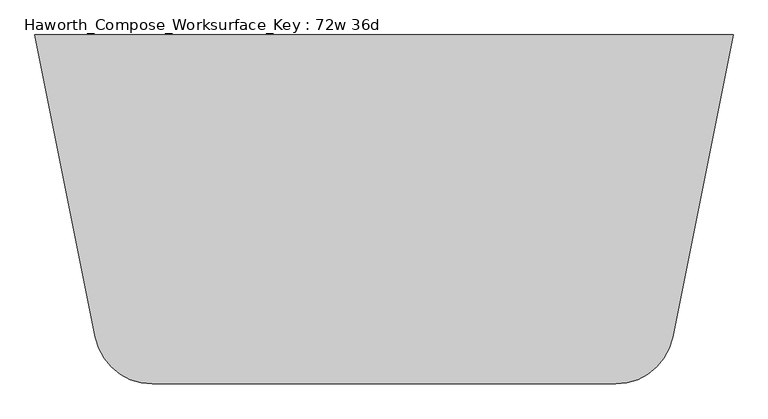
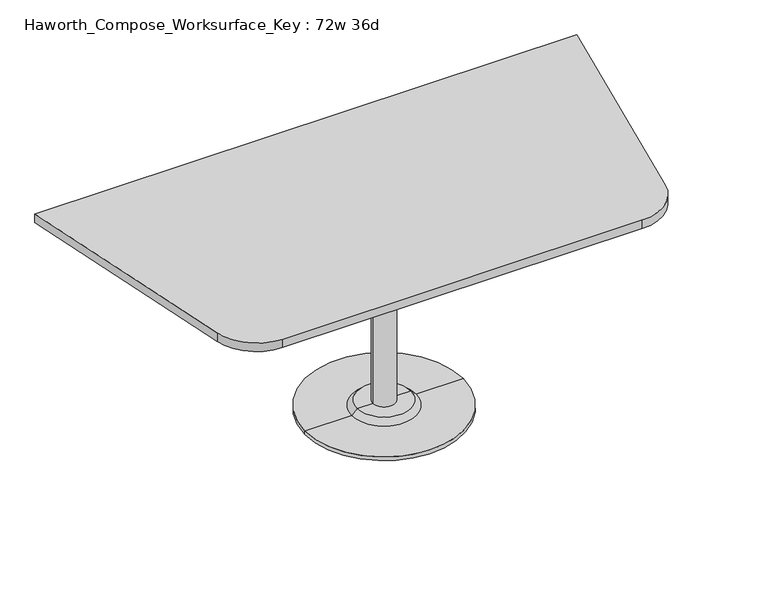
"""IFC4 building model written with IfcOpenShell, lengths in millimetres: furniture geometry, Haworth_Compose_Worksurface_Key : 72w 36d."""

from ifc_helpers import new_model, si_unit, point, frame, frame_2d, origin, place, context, project, spatial, polyline, circle_curve, trimmed, segment, composite_curve, outline, extrude, source, transform, mapped, element, save
from ifc_brep_helpers import plane_surface, cylinder_surface, revolved_surface, advanced_brep


def haworth_compose_worksurface_key_72w_36d_a5a183f8(model_context):
    return source(origin(), model_context, "Body", "SolidModel", [
        advanced_brep(
        [(38.1, 139.7, 706.4375), (-38.1, 139.7, 706.4375), (0.0, 139.7, 706.4375), (38.1, 139.7, 31.75), (-38.1, 139.7, 31.75), (89.723978, 139.7, 31.75), (-89.723978, 139.7, 31.75), (266.7, 139.7, 0.0), (-266.7, 139.7, 0.0), (-266.7, 139.7, 12.7), (266.7, 139.7, 12.7), (0.0, 139.7, 0.0), (108.773978, 139.7, 12.7), (-108.773978, 139.7, 12.7)],
        [
            (0, 1, circle_curve(frame((0.0, 139.7, 706.4375), z_axis=(0.0, 0.0, 1.0), x_axis=(-1.0, 0.0, 0.0)), 38.1)),
            (1, 2),
            (2, 0),
            (1, 0, circle_curve(frame((0.0, 139.7, 706.4375), z_axis=(0.0, 0.0, 1.0), x_axis=(-1.0, 0.0, 0.0)), 38.1)),
            (3, 4, circle_curve(frame((0.0, 139.7, 31.75), z_axis=(0.0, 0.0, 1.0), x_axis=(-1.0, 0.0, 0.0)), 38.1)),
            (4, 1),
            (0, 3),
            (4, 3, circle_curve(frame((0.0, 139.7, 31.75), z_axis=(0.0, 0.0, 1.0), x_axis=(-1.0, 0.0, 0.0)), 38.1)),
            (5, 6, circle_curve(frame((0.0, 139.7, 31.75), z_axis=(0.0, 0.0, 1.0), x_axis=(-1.0, 0.0, 0.0)), 89.723978)),
            (6, 4),
            (3, 5),
            (6, 5, circle_curve(frame((0.0, 139.7, 31.75), z_axis=(0.0, 0.0, 1.0), x_axis=(-1.0, 0.0, 0.0)), 89.723978)),
            (7, 8, circle_curve(frame((0.0, 139.7, 0.0), z_axis=(0.0, 0.0, 1.0), x_axis=(-1.0, 0.0, 0.0)), 266.7)),
            (8, 9),
            (9, 10, circle_curve(frame((0.0, 139.7, 12.7), z_axis=(0.0, 0.0, -1.0), x_axis=(-1.0, 0.0, 0.0)), 266.7)),
            (10, 7),
            (8, 7, circle_curve(frame((0.0, 139.7, 0.0), z_axis=(0.0, 0.0, 1.0), x_axis=(-1.0, 0.0, 0.0)), 266.7)),
            (10, 9, circle_curve(frame((0.0, 139.7, 12.7), z_axis=(0.0, 0.0, -1.0), x_axis=(-1.0, 0.0, 0.0)), 266.7)),
            (11, 8),
            (7, 11),
            (12, 13, circle_curve(frame((0.0, 139.7, 12.7), z_axis=(0.0, 0.0, 1.0), x_axis=(-1.0, 0.0, 0.0)), 108.773978)),
            (13, 6),
            (5, 12),
            (13, 12, circle_curve(frame((0.0, 139.7, 12.7), z_axis=(0.0, 0.0, 1.0), x_axis=(-1.0, 0.0, 0.0)), 108.773978)),
            (9, 13),
            (12, 10),
        ],
        [
            plane_surface(frame((0.0, 139.7, 706.4375), z_axis=(0.0, 0.0, 1.0), x_axis=(-1.0, 0.0, 0.0))),
            cylinder_surface(frame((0.0, 139.7, 889.623257), z_axis=(0.0, 0.0, -1.0), x_axis=(-1.0, 0.0, 0.0)), 38.1),
            plane_surface(frame((0.0, 139.7, 31.75), z_axis=(0.0, 0.0, 1.0), x_axis=(-1.0, 0.0, 0.0))),
            cylinder_surface(frame((0.0, 139.7, 889.623257), z_axis=(0.0, 0.0, -1.0), x_axis=(-1.0, 0.0, 0.0)), 266.7),
            plane_surface(frame((0.0, 139.7, 0.0), z_axis=(0.0, 0.0, -1.0), x_axis=(-1.0, 0.0, 0.0))),
            revolved_surface(polyline([(-89.723978, 139.7, 31.75), (-108.773978, 139.7, 12.7)]), (0.0, 139.7, 889.623257), (0.0, 0.0, -1.0)),
            plane_surface(frame((0.0, 139.7, 12.7), z_axis=(0.0, 0.0, 1.0), x_axis=(-1.0, 0.0, 0.0))),
        ],
        [
            (0, [[1, 2, 3]]),
            (0, [[4, -3, -2]]),
            (1, [[5, 6, -1, 7]]),
            (1, [[8, -7, -4, -6]]),
            (2, [[9, 10, -5, 11]]),
            (2, [[12, -11, -8, -10]]),
            (3, [[13, 14, 15, 16]]),
            (3, [[17, -16, 18, -14]]),
            (4, [[19, -13, 20]]),
            (4, [[-20, -17, -19]]),
            (5, [[21, 22, -9, 23]]),
            (5, [[24, -23, -12, -22]]),
            (6, [[-15, 25, -21, 26]]),
            (6, [[-18, -26, -24, -25]]),
        ],
    ),
        extrude(outline(composite_curve([segment(polyline([(914.4, 596.9), (756.0223802, -194.988099)]), True, "CONTINUOUS"), segment(trimmed(circle_curve(frame_2d((606.5818852, -165.1)), 152.4), [point((756.0223802, -194.988099))], [point((606.5818852, -317.5))], False, "CARTESIAN"), True, "CONTINUOUS"), segment(polyline([(606.5818852, -317.5), (-606.5818852, -317.5)]), True, "CONTINUOUS"), segment(trimmed(circle_curve(frame_2d((-606.5818852, -165.1)), 152.4), [point((-606.5818852, -317.5))], [point((-756.0223802, -194.988099))], False, "CARTESIAN"), True, "CONTINUOUS"), segment(polyline([(-756.0223802, -194.988099), (-914.4, 596.9), (914.4, 596.9)]), True, "CONTINUOUS")], self_intersect=False)), frame((0.0, 0.0, 706.4375), z_axis=(0.0, 0.0, 1.0), x_axis=(1.0, 0.0, 0.0)), (0.0, 0.0, 1.0), 30.1625),
    ])


if __name__ == "__main__":
    model = new_model("IFC4")
    model_context = context("Model", 3, world=origin())
    ifc_project = project(units=[si_unit("LENGTHUNIT", "METRE", prefix="MILLI")], contexts=[model_context])
    site = spatial("IfcSite", under=ifc_project)
    building = spatial("IfcBuilding", under=site)
    placement = place(None, origin())
    haworth_compose_worksurface_key_72w_36d_shape = haworth_compose_worksurface_key_72w_36d_a5a183f8(model_context)
    element("IfcFurniture", 1, ObjectType="Haworth_Compose_Worksurface_Key : 72w 36d", at=placement, inside=building, context=model_context, shape_type="MappedRepresentation", body=[
        mapped(haworth_compose_worksurface_key_72w_36d_shape, transform((0.0, 0.0, 0.0), x_axis=(1.0, 0.0, 0.0), y_axis=(0.0, 1.0, 0.0), z_axis=(0.0, 0.0, 1.0))),
    ])
    save(model, "model.ifc")
